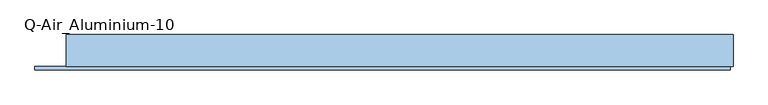
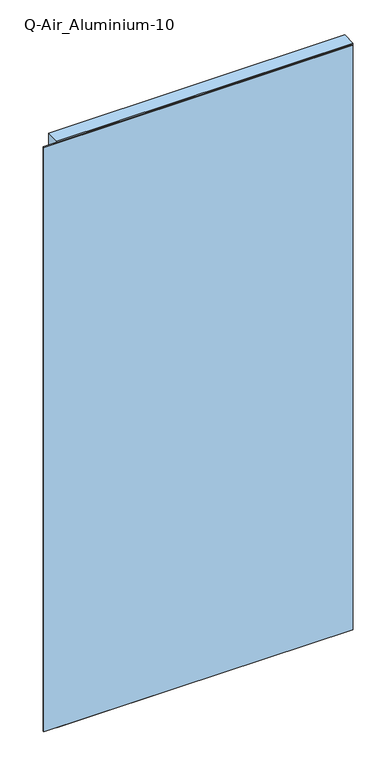
"""IFC4 building model written with IfcOpenShell, lengths in millimetres: window geometry, Q-Air_Aluminium-10."""

from ifc_helpers import new_model, si_unit, frame, origin, place, context, project, spatial, polyline, outline, extrude, source, transform, mapped, element, save


def q_air_aluminium_10_c91f4690(model_context):
    return source(origin(), model_context, "Body", "SweptSolid", [
        extrude(outline(polyline([(5020.0, 1200.0), (5020.0, -1200.0), (0.0, -1200.0), (0.0, 1200.0), (5020.0, 1200.0)]), holes=[polyline([(4962.0, 1142.0), (58.0, 1142.0), (58.0, -1142.0), (4962.0, -1142.0), (4962.0, 1142.0)])]), frame((0.0, -114.5, 0.0), z_axis=(0.0, 1.0, 0.0), x_axis=(0.0, 0.0, 1.0)), (0.0, 0.0, 1.0), 114.5),
        extrude(outline(polyline([(1142.0, 0.0), (1142.0, -12.5), (-1142.0, -12.5), (-1142.0, 0.0), (1142.0, 0.0)])), frame((0.0, 0.0, 58.0), z_axis=(0.0, 0.0, 1.0), x_axis=(1.0, 0.0, 0.0)), (0.0, 0.0, 1.0), 4904.0),
        extrude(outline(polyline([(1190.0, -114.5), (1190.0, -127.0), (-1312.4, -127.0), (-1312.4, -114.5), (1190.0, -114.5)])), frame((0.0, 0.0, 10.0), z_axis=(0.0, 0.0, 1.0), x_axis=(1.0, 0.0, 0.0)), (0.0, 0.0, 1.0), 5000.0),
        extrude(outline(polyline([(5010.0, 1190.0), (5010.0, -1312.4), (10.0, -1312.4), (10.0, 1190.0), (5010.0, 1190.0)]), holes=[polyline([(4962.0, 1142.0), (58.0, 1142.0), (58.0, -1142.0), (4962.0, -1142.0), (4962.0, 1142.0)])]), frame((0.0, -118.5, 0.0), z_axis=(0.0, 1.0, 0.0), x_axis=(0.0, 0.0, 1.0)), (0.0, 0.0, 1.0), 4.0),
    ])


if __name__ == "__main__":
    model = new_model("IFC4")
    model_context = context("Model", 3, world=origin())
    ifc_project = project(units=[si_unit("LENGTHUNIT", "METRE", prefix="MILLI")], contexts=[model_context])
    site = spatial("IfcSite", under=ifc_project)
    building = spatial("IfcBuilding", under=site)
    placement = place(None, origin())
    q_air_aluminium_10_shape = q_air_aluminium_10_c91f4690(model_context)
    element("IfcWindow", 1, ObjectType="Q-Air_Aluminium-10", at=placement, inside=building, context=model_context, shape_type="MappedRepresentation", body=[
        mapped(q_air_aluminium_10_shape, transform((0.0, 0.0, 0.0), x_axis=(1.0, 0.0, 0.0), y_axis=(0.0, 1.0, 0.0), z_axis=(0.0, 0.0, 1.0))),
    ])
    save(model, "model.ifc")
